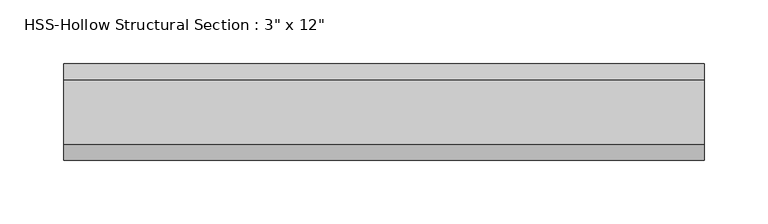
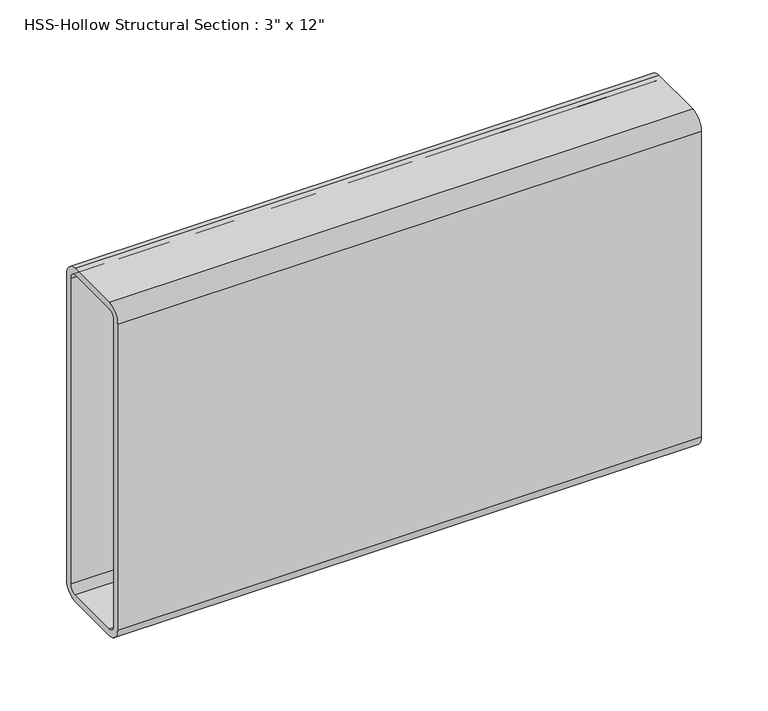
"""IFC4 building model written with IfcOpenShell, lengths in millimetres: beam geometry."""

from ifc_helpers import new_model, si_unit, point, frame, frame_2d, origin, place, context, project, spatial, polyline, circle_curve, trimmed, segment, composite_curve, outline, extrude, source, transform, mapped, element, save


def beam_09741d6d(model_context):
    return source(origin(), model_context, "Body", "SweptSolid", [
        extrude(outline(composite_curve([segment(polyline([(38.1, 139.7), (38.1, -139.7)]), True, "CONTINUOUS"), segment(trimmed(circle_curve(frame_2d((25.4, -139.7)), 12.7), [point((38.1, -139.7))], [point((25.4, -152.4))], False, "CARTESIAN"), True, "CONTINUOUS"), segment(polyline([(25.4, -152.4), (-25.4, -152.4)]), True, "CONTINUOUS"), segment(trimmed(circle_curve(frame_2d((-25.4, -139.7)), 12.7), [point((-25.4, -152.4))], [point((-38.1, -139.7))], False, "CARTESIAN"), True, "CONTINUOUS"), segment(polyline([(-38.1, -139.7), (-38.1, 139.7)]), True, "CONTINUOUS"), segment(trimmed(circle_curve(frame_2d((-25.4, 139.7)), 12.7), [point((-38.1, 139.7))], [point((-25.4, 152.4))], False, "CARTESIAN"), True, "CONTINUOUS"), segment(polyline([(-25.4, 152.4), (25.4, 152.4)]), True, "CONTINUOUS"), segment(trimmed(circle_curve(frame_2d((25.4, 139.7)), 12.7), [point((25.4, 152.4))], [point((38.1, 139.7))], False, "CARTESIAN"), True, "CONTINUOUS")], self_intersect=False), holes=[composite_curve([segment(trimmed(circle_curve(frame_2d((-25.4, 139.7)), 6.35), [point((-25.4, 146.05))], [point((-31.75, 139.7))], True, "CARTESIAN"), True, "CONTINUOUS"), segment(polyline([(-31.75, 139.7), (-31.75, -139.7)]), True, "CONTINUOUS"), segment(trimmed(circle_curve(frame_2d((-25.4, -139.7)), 6.35), [point((-31.75, -139.7))], [point((-25.4, -146.05))], True, "CARTESIAN"), True, "CONTINUOUS"), segment(polyline([(-25.4, -146.05), (25.4, -146.05)]), True, "CONTINUOUS"), segment(trimmed(circle_curve(frame_2d((25.4, -139.7)), 6.35), [point((25.4, -146.05))], [point((31.75, -139.7))], True, "CARTESIAN"), True, "CONTINUOUS"), segment(polyline([(31.75, -139.7), (31.75, 139.7)]), True, "CONTINUOUS"), segment(trimmed(circle_curve(frame_2d((25.4, 139.7)), 6.35), [point((31.75, 139.7))], [point((25.4, 146.05))], True, "CARTESIAN"), True, "CONTINUOUS"), segment(polyline([(25.4, 146.05), (-25.4, 146.05)]), True, "CONTINUOUS")], self_intersect=False)]), frame((-252.3005134, 0.0, 0.0), z_axis=(1.0, 0.0, 0.0), x_axis=(0.0, 1.0, 0.0)), (0.0, 0.0, 1.0), 504.6010267),
    ])


if __name__ == "__main__":
    model = new_model("IFC4")
    model_context = context("Model", 3, world=origin())
    ifc_project = project(units=[si_unit("LENGTHUNIT", "METRE", prefix="MILLI")], contexts=[model_context])
    site = spatial("IfcSite", under=ifc_project)
    building = spatial("IfcBuilding", under=site)
    placement = place(None, origin())
    beam_shape = beam_09741d6d(model_context)
    element("IfcBeam", 1, ObjectType="HSS-Hollow Structural Section : 3\" x 12\"", at=placement, inside=building, context=model_context, shape_type="MappedRepresentation", body=[
        mapped(beam_shape, transform((0.0, 0.0, 0.0), x_axis=(1.0, 0.0, 0.0), y_axis=(0.0, 1.0, 0.0), z_axis=(0.0, 0.0, 1.0))),
    ])
    save(model, "model.ifc")
